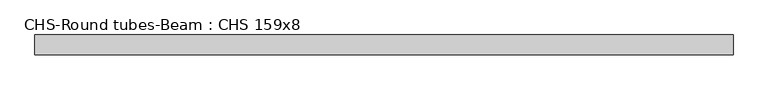
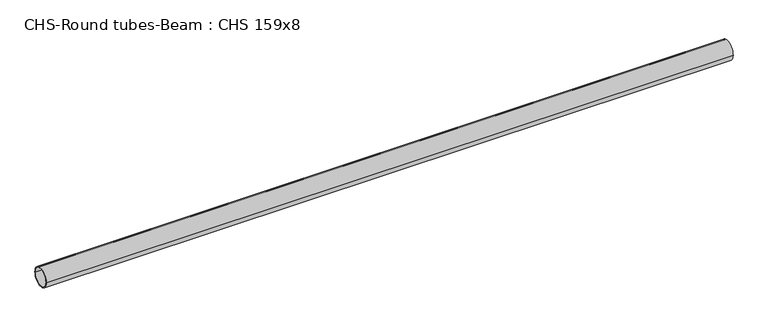
"""IFC4 building model written with IfcOpenShell, lengths in millimetres: beam geometry, CHS-Round tubes-Beam : CHS 159x8."""

from ifc_helpers import new_model, si_unit, point, frame, origin, origin_2d, place, context, project, spatial, circle_curve, trimmed, segment, composite_curve, outline, extrude, source, transform, mapped, element, save


def chs_round_tubes_beam_chs_159x8_dbc17333(model_context):
    return source(origin(), model_context, "Body", "SweptSolid", [
        extrude(outline(composite_curve([segment(trimmed(circle_curve(origin_2d(), 79.5), [point((79.5, 0.0))], [point((-79.5, 0.0))], False, "CARTESIAN"), True, "CONTINUOUS"), segment(trimmed(circle_curve(origin_2d(), 79.5), [point((-79.5, 0.0))], [point((79.5, 0.0))], False, "CARTESIAN"), True, "CONTINUOUS")], self_intersect=False), holes=[composite_curve([segment(trimmed(circle_curve(origin_2d(), 71.5), [point((71.5, 0.0))], [point((-71.5, 0.0))], True, "CARTESIAN"), True, "CONTINUOUS"), segment(trimmed(circle_curve(origin_2d(), 71.5), [point((-71.5, 0.0))], [point((71.5, 0.0))], True, "CARTESIAN"), True, "CONTINUOUS")], self_intersect=False)]), frame((-2803.359968, 0.0, 0.0), z_axis=(1.0, 0.0, 0.0), x_axis=(0.0, 1.0, 0.0)), (0.0, 0.0, 1.0), 5608.1407804),
    ])


if __name__ == "__main__":
    model = new_model("IFC4")
    model_context = context("Model", 3, world=origin())
    ifc_project = project(units=[si_unit("LENGTHUNIT", "METRE", prefix="MILLI")], contexts=[model_context])
    site = spatial("IfcSite", under=ifc_project)
    building = spatial("IfcBuilding", under=site)
    placement = place(None, origin())
    chs_round_tubes_beam_chs_159x8_shape = chs_round_tubes_beam_chs_159x8_dbc17333(model_context)
    element("IfcBeam", 1, ObjectType="CHS-Round tubes-Beam : CHS 159x8", at=placement, inside=building, context=model_context, shape_type="MappedRepresentation", body=[
        mapped(chs_round_tubes_beam_chs_159x8_shape, transform((0.0, 0.0, 0.0), x_axis=(1.0, 0.0, 0.0), y_axis=(0.0, 1.0, 0.0), z_axis=(0.0, 0.0, 1.0))),
    ])
    save(model, "model.ifc")
